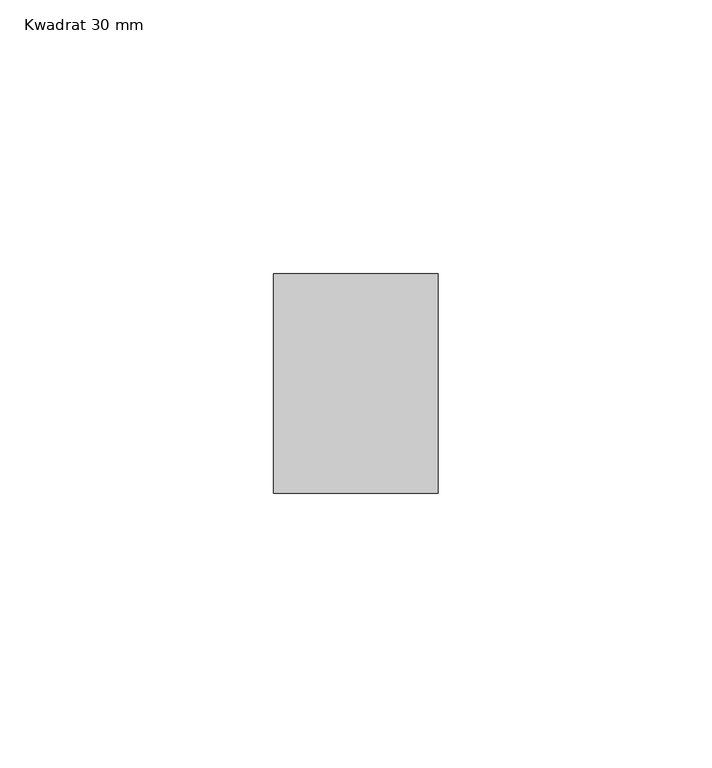
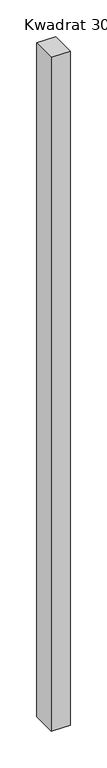
"""IFC4 building model written with IfcOpenShell, lengths in millimetres: member geometry, Kwadrat 30 mm."""

import ifcopenshell
import ifcopenshell.guid

model = None  # the IFC model being written
_history = None  # IfcOwnerHistory: only IFC2X3 demands one
_inside = {}  # id of a spatial element -> (the spatial element, [elements in it])
_under = {}  # id of a project, library or spatial element -> (it, [spatial elements below it])
_declared = {}  # id of a project -> (the project, [libraries it declares])
_typed = {}  # id of a type object -> (the type object, [elements of that type])
_made_of = {}  # id of a material, layer set ... -> (it, [elements and type objects made of it])


def new_model(schema):
    """Start an empty IFC model of exactly this schema.

    Asked for "IFC4X3", IfcOpenShell would pick the latest addendum, in which some entities
    have other attributes; the version numbers below select the first issue.
    IFC2X3 requires an IfcOwnerHistory on every rooted entity: one is made here for all.
    """
    global model, _history
    if schema == "IFC4X3":
        model = ifcopenshell.file(schema_version=(4, 3, 0, 0))
    else:
        model = ifcopenshell.file(schema=schema)
    _inside.clear()
    _under.clear()
    _declared.clear()
    _typed.clear()
    _made_of.clear()
    _history = None
    if model.schema == "IFC2X3":
        org = make("IfcOrganization", Name="unknown")
        user = make(
            "IfcPersonAndOrganization",
            ThePerson=make("IfcPerson", FamilyName="unknown"),
            TheOrganization=org,
        )
        app = make(
            "IfcApplication",
            ApplicationDeveloper=org,
            Version="unknown",
            ApplicationFullName="unknown",
            ApplicationIdentifier="unknown",
        )
        _history = make(
            "IfcOwnerHistory",
            OwningUser=user,
            OwningApplication=app,
            ChangeAction="ADDED",
            CreationDate=0,
        )
    return model


def make(cls, **values):
    """One entity of the class cls with the attributes given. An attribute that is None is left unset."""
    return model.create_entity(
        cls, **{name: value for name, value in values.items() if value is not None}
    )


def rooted(cls, **values):
    """An entity with a GlobalId (a new one), such as an element, a storey or a relation."""
    return make(cls, GlobalId=ifcopenshell.guid.new(), OwnerHistory=_history, **values)


def si_unit(unit_type, name, prefix=None):
    """IfcSIUnit, for example si_unit("LENGTHUNIT", "METRE", prefix="MILLI")."""
    return make("IfcSIUnit", UnitType=unit_type, Prefix=prefix, Name=name)


def assignment(units):
    """IfcUnitAssignment: the units of a project."""
    return None if units is None else make("IfcUnitAssignment", Units=units)


def point(xyz):
    """IfcCartesianPoint."""
    return None if xyz is None else make("IfcCartesianPoint", Coordinates=xyz)


def direction(xyz):
    """IfcDirection."""
    return None if xyz is None else make("IfcDirection", DirectionRatios=xyz)


def frame(location, z_axis=None, x_axis=None):
    """IfcAxis2Placement3D, a coordinate frame: its origin and axes. An axis left out is left unset."""
    return make(
        "IfcAxis2Placement3D",
        Location=point(location),
        Axis=direction(z_axis),
        RefDirection=direction(x_axis),
    )


def origin():
    """The frame at (0, 0, 0) with its axes left unset."""
    return frame((0.0, 0.0, 0.0))


def place(relative_to, where):
    """IfcLocalPlacement: puts the frame where relative to a parent placement (None: the world)."""
    return make(
        "IfcLocalPlacement", PlacementRelTo=relative_to, RelativePlacement=where
    )


def context(
    kind, dimensions, precision=None, world=None, true_north=None, identifier=None
):
    """IfcGeometricRepresentationContext, for example the 3D "Model" context."""
    return make(
        "IfcGeometricRepresentationContext",
        ContextIdentifier=identifier,
        ContextType=kind,
        CoordinateSpaceDimension=dimensions,
        Precision=precision,
        WorldCoordinateSystem=world,
        TrueNorth=true_north,
    )


def project(units=None, contexts=None):
    """IfcProject with its units and contexts."""
    return rooted(
        "IfcProject",
        Name="project",
        RepresentationContexts=contexts,
        UnitsInContext=assignment(units),
    )


def spatial(cls, under=None, at=None, **own):
    """A site, building, storey or space (cls), placed at a placement, below another one or the project."""
    s = rooted(cls, ObjectPlacement=at, **own)
    if under is not None:
        _under.setdefault(under.id(), (under, []))[1].append(s)
    return s


def polyline(points):
    """IfcPolyline through the points."""
    return make("IfcPolyline", Points=[point(p) for p in points])


def outline(outer, holes=None, kind="AREA"):
    """IfcArbitraryClosedProfileDef: a profile drawn as a closed curve; with holes, ...WithVoids."""
    if holes is None:
        return make("IfcArbitraryClosedProfileDef", ProfileType=kind, OuterCurve=outer)
    return make(
        "IfcArbitraryProfileDefWithVoids",
        ProfileType=kind,
        OuterCurve=outer,
        InnerCurves=holes,
    )


def extrude(swept, where, along, depth):
    """IfcExtrudedAreaSolid: the profile swept, set in the frame where, extruded along a direction by depth."""
    return make(
        "IfcExtrudedAreaSolid",
        SweptArea=swept,
        Position=where,
        ExtrudedDirection=direction(along),
        Depth=depth,
    )


def shape(context_of_items, identifier, shape_type, items):
    """IfcShapeRepresentation: the items that make up one representation, for example the "Body"."""
    return make(
        "IfcShapeRepresentation",
        ContextOfItems=context_of_items,
        RepresentationIdentifier=identifier,
        RepresentationType=shape_type,
        Items=items,
    )


def source(mapping_origin, context_of_items, identifier, shape_type, items):
    """IfcRepresentationMap: a shape defined once, which mapped items show again and again."""
    return make(
        "IfcRepresentationMap",
        MappingOrigin=mapping_origin,
        MappedRepresentation=shape(context_of_items, identifier, shape_type, items),
    )


def transform(
    local_origin,
    x_axis=None,
    y_axis=None,
    z_axis=None,
    scale=None,
    scale2=None,
    scale3=None,
    uniform=True,
):
    """IfcCartesianTransformationOperator3D, or its non-uniform kind. x_axis, y_axis, z_axis: its Axis1, 2, 3."""
    if uniform:
        return make(
            "IfcCartesianTransformationOperator3D",
            Axis1=direction(x_axis),
            Axis2=direction(y_axis),
            LocalOrigin=point(local_origin),
            Scale=scale,
            Axis3=direction(z_axis),
        )
    return make(
        "IfcCartesianTransformationOperator3DnonUniform",
        Axis1=direction(x_axis),
        Axis2=direction(y_axis),
        LocalOrigin=point(local_origin),
        Scale=scale,
        Axis3=direction(z_axis),
        Scale2=scale2,
        Scale3=scale3,
    )


def mapped(mapping_source, mapping_target):
    """IfcMappedItem: shows the shape of a source again, moved by a transform."""
    return make(
        "IfcMappedItem", MappingSource=mapping_source, MappingTarget=mapping_target
    )


def made_of(thing, what):
    """Note that an element or type object is made of a material, layer set ...; save() writes the relation."""
    if what is not None:
        _made_of.setdefault(what.id(), (what, []))[1].append(thing)
    return thing


def element(
    cls,
    number,
    at=None,
    inside=None,
    cuts=None,
    type_object=None,
    material=None,
    context=None,
    identifier="Body",
    shape_type=None,
    held_by="IfcProductDefinitionShape",
    body=None,
    shapes=None,
    **own,
):
    """One element of the class cls, such as IfcWall. Its Tag is "e" and its number.

    at: its placement. inside: the storey or other place that contains it. cuts: it is an
    opening in that element (IfcRelVoidsElement). A single representation is given by context,
    identifier, shape_type and body (its items); several are given by shapes. held_by: the class
    of the entity that holds the representations. save() writes the other relations.
    """
    e = rooted(cls, Tag="e%d" % number, ObjectPlacement=at, **own)
    if body is not None:
        shapes = [shape(context, identifier, shape_type, body)]
    if shapes is not None:
        e.Representation = make(held_by, Representations=shapes)
    if inside is not None:
        _inside.setdefault(inside.id(), (inside, []))[1].append(e)
    if cuts is not None:
        rooted(
            "IfcRelVoidsElement", RelatingBuildingElement=cuts, RelatedOpeningElement=e
        )
    if type_object is not None:
        _typed.setdefault(type_object.id(), (type_object, []))[1].append(e)
    return made_of(e, material)


def aggregate(whole, parts):
    """IfcRelAggregates: a whole, such as a stair, and the parts it consists of."""
    return rooted("IfcRelAggregates", RelatingObject=whole, RelatedObjects=parts)


def save(model, path):
    """Write the relations noted so far, then the file.

    IfcRelAggregates (storeys below a building ...), IfcRelContainedInSpatialStructure (elements
    in a storey), IfcRelDefinesByType, IfcRelAssociatesMaterial and IfcRelDeclares: one each for
    every whole, place, type object, material and project.
    """
    for whole, parts in _under.values():
        aggregate(whole, parts)
    for where, things in _inside.values():
        rooted(
            "IfcRelContainedInSpatialStructure",
            RelatedElements=things,
            RelatingStructure=where,
        )
    for kind, things in _typed.values():
        rooted("IfcRelDefinesByType", RelatedObjects=things, RelatingType=kind)
    for what, things in _made_of.values():
        rooted("IfcRelAssociatesMaterial", RelatedObjects=things, RelatingMaterial=what)
    for by, libraries in _declared.values():
        rooted("IfcRelDeclares", RelatingContext=by, RelatedDefinitions=libraries)
    model.write(path)


def kwadrat_30_mm_f056ea68(model_context):
    return source(origin(), model_context, "Body", "SweptSolid", [
        extrude(outline(polyline([(15.0, 20.0), (15.0, -20.0), (-15.0, -20.0), (-15.0, 20.0), (15.0, 20.0)])), frame((0.0, 0.0, -1124.7005384), z_axis=(0.0, 0.0, 1.0), x_axis=(1.0, 0.0, 0.0)), (0.0, 0.0, 1.0), 1124.7005384),
    ])


if __name__ == "__main__":
    model = new_model("IFC4")
    model_context = context("Model", 3, world=origin())
    ifc_project = project(units=[si_unit("LENGTHUNIT", "METRE", prefix="MILLI")], contexts=[model_context])
    site = spatial("IfcSite", under=ifc_project)
    building = spatial("IfcBuilding", under=site)
    placement = place(None, origin())
    kwadrat_30_mm_shape = kwadrat_30_mm_f056ea68(model_context)
    element("IfcMember", 1, ObjectType="Kwadrat 30 mm", at=placement, inside=building, context=model_context, shape_type="MappedRepresentation", body=[
        mapped(kwadrat_30_mm_shape, transform((0.0, 0.0, 0.0), x_axis=(1.0, 0.0, 0.0), y_axis=(0.0, 1.0, 0.0), z_axis=(0.0, 0.0, 1.0))),
    ])
    save(model, "model.ifc")
